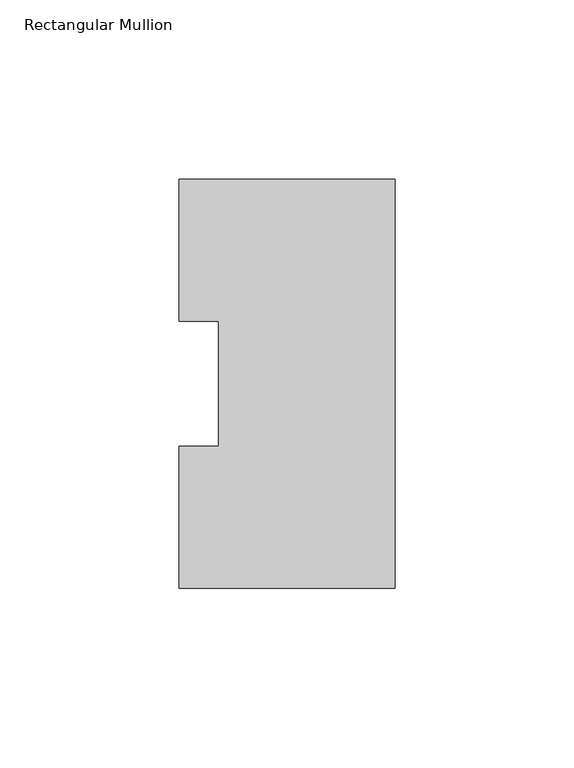
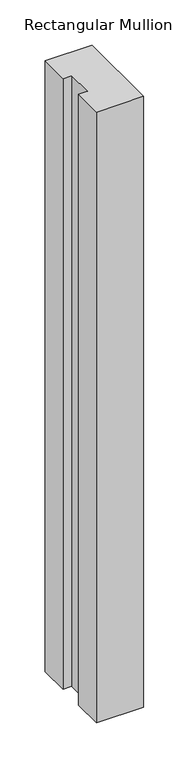
"""IFC4 building model written with IfcOpenShell, lengths in millimetres: member geometry, Rectangular Mullion."""

from ifc_helpers import new_model, si_unit, frame, origin, place, context, project, spatial, polyline, outline, extrude, source, transform, mapped, element, save


def rectangular_mullion_2d01acff(model_context):
    return source(origin(), model_context, "Body", "SweptSolid", [
        extrude(outline(polyline([(0.0, 114.271425), (0.0, -0.028575), (-60.325, -0.028575), (-60.325, 39.646225), (-49.2125, 39.646225), (-49.2125, 74.596625), (-60.325, 74.596625), (-60.325, 114.271425), (0.0, 114.271425)])), frame((0.0, 0.0, -825.4999994), z_axis=(0.0, 0.0, 1.0), x_axis=(1.0, 0.0, 0.0)), (0.0, 0.0, 1.0), 825.4999994),
    ])


if __name__ == "__main__":
    model = new_model("IFC4")
    model_context = context("Model", 3, world=origin())
    ifc_project = project(units=[si_unit("LENGTHUNIT", "METRE", prefix="MILLI")], contexts=[model_context])
    site = spatial("IfcSite", under=ifc_project)
    building = spatial("IfcBuilding", under=site)
    placement = place(None, origin())
    rectangular_mullion_shape = rectangular_mullion_2d01acff(model_context)
    element("IfcMember", 1, ObjectType="Rectangular Mullion", at=placement, inside=building, context=model_context, shape_type="MappedRepresentation", body=[
        mapped(rectangular_mullion_shape, transform((0.0, 0.0, 0.0), x_axis=(1.0, 0.0, 0.0), y_axis=(0.0, 1.0, 0.0), z_axis=(0.0, 0.0, 1.0))),
    ])
    save(model, "model.ifc")
